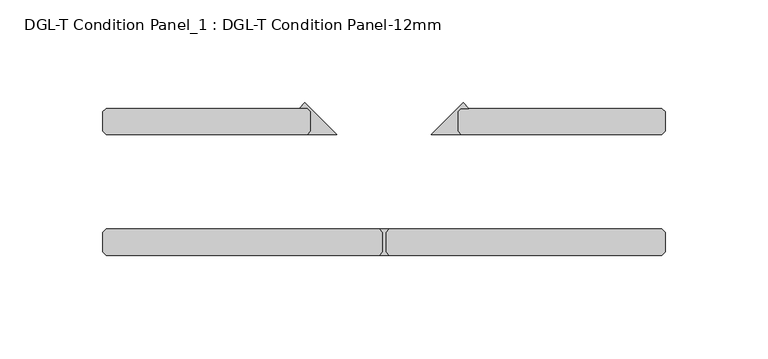
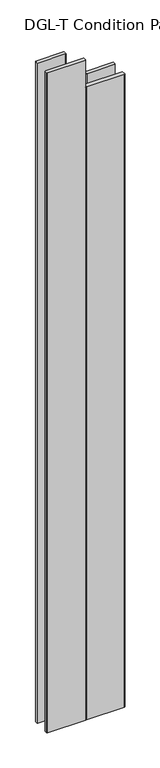
"""IFC4 building model written with IfcOpenShell, lengths in millimetres: plate geometry, DGL-T Condition Panel_1 : DGL-T Condition Panel-12mm."""

from ifc_helpers import new_model, si_unit, origin, origin_with_axes, place, context, project, spatial, polyline, outline, extrude, source, transform, mapped, element, save


def dgl_t_condition_panel_1_dgl_t_condition_panel_12mm_c41263cc(model_context):
    return source(origin(), model_context, "Body", "SweptSolid", [
        extrude(outline(polyline([(-35.71875, 24.60625), (-35.71875, 34.13125), (-37.30625, 35.71875), (-41.138814, 35.71875), (-38.428782, 38.428782), (-23.01875, 23.01875), (-37.30625, 23.01875), (-35.71875, 24.60625)])), origin_with_axes(), (0.0, 0.0, 1.0), 2339.4648576),
        extrude(outline(polyline([(35.71875, 24.60625), (37.30625, 23.01875), (23.01875, 23.01875), (38.428782, 38.428782), (41.138814, 35.71875), (37.30625, 35.71875), (35.71875, 34.13125), (35.71875, 24.60625)])), origin_with_axes(), (0.0, 0.0, 1.0), 2339.4648576),
        extrude(outline(polyline([(-134.9384345, 23.01875), (-136.5259345, 24.60625), (-136.5259345, 34.13125), (-134.9384345, 35.71875), (-37.30625, 35.71875), (-35.71875, 34.13125), (-35.71875, 24.60625), (-37.30625, 23.01875), (-134.9384345, 23.01875)])), origin_with_axes(), (0.0, 0.0, 1.0), 2438.4),
        extrude(outline(polyline([(-134.9384345, -35.71875), (-136.5259345, -34.13125), (-136.5259345, -24.60625), (-134.9384345, -23.01875), (-2.38125, -23.01875), (-0.79375, -24.60625), (-0.79375, -34.13125), (-2.38125, -35.71875), (-134.9384345, -35.71875)])), origin_with_axes(), (0.0, 0.0, 1.0), 2438.4),
        extrude(outline(polyline([(2.38125, -35.71875), (-2.38125, -35.71875), (-0.79375, -34.13125), (-0.79375, -24.60625), (-2.38125, -23.01875), (2.38125, -23.01875), (0.79375, -24.60625), (0.79375, -34.13125), (2.38125, -35.71875)])), origin_with_axes(), (0.0, 0.0, 1.0), 2339.4648576),
        extrude(outline(polyline([(134.9384345, 23.01875), (37.30625, 23.01875), (35.71875, 24.60625), (35.71875, 34.13125), (37.30625, 35.71875), (134.9384345, 35.71875), (136.5259345, 34.13125), (136.5259345, 24.60625), (134.9384345, 23.01875)])), origin_with_axes(), (0.0, 0.0, 1.0), 2339.4648576),
        extrude(outline(polyline([(134.9384345, -35.71875), (2.38125, -35.71875), (0.79375, -34.13125), (0.79375, -24.60625), (2.38125, -23.01875), (134.9384345, -23.01875), (136.5259345, -24.60625), (136.5259345, -34.13125), (134.9384345, -35.71875)])), origin_with_axes(), (0.0, 0.0, 1.0), 2339.4648576),
    ])


if __name__ == "__main__":
    model = new_model("IFC4")
    model_context = context("Model", 3, world=origin())
    ifc_project = project(units=[si_unit("LENGTHUNIT", "METRE", prefix="MILLI")], contexts=[model_context])
    site = spatial("IfcSite", under=ifc_project)
    building = spatial("IfcBuilding", under=site)
    placement = place(None, origin())
    dgl_t_condition_panel_1_dgl_t_condition_panel_12mm_shape = dgl_t_condition_panel_1_dgl_t_condition_panel_12mm_c41263cc(model_context)
    element("IfcPlate", 1, ObjectType="DGL-T Condition Panel_1 : DGL-T Condition Panel-12mm", at=placement, inside=building, context=model_context, shape_type="MappedRepresentation", body=[
        mapped(dgl_t_condition_panel_1_dgl_t_condition_panel_12mm_shape, transform((0.0, 0.0, 0.0), x_axis=(1.0, 0.0, 0.0), y_axis=(0.0, 1.0, 0.0), z_axis=(0.0, 0.0, 1.0))),
    ])
    save(model, "model.ifc")
